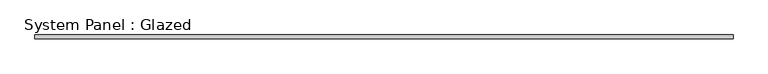
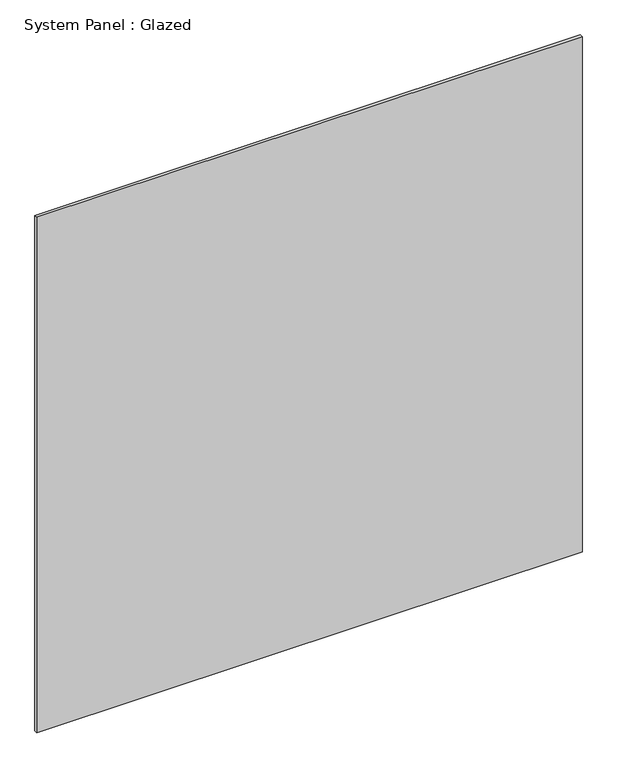
"""IFC4 building model written with IfcOpenShell, lengths in millimetres: plate geometry, System Panel : Glazed."""

from ifc_helpers import new_model, si_unit, origin, origin_with_axes, place, context, project, spatial, polyline, outline, extrude, source, transform, mapped, element, save


def system_panel_glazed_389e3e99(model_context):
    return source(origin(), model_context, "Body", "SweptSolid", [
        extrude(outline(polyline([(585.7875, -3.175), (-585.7875, -3.175), (-585.7875, 3.175), (585.7875, 3.175), (585.7875, -3.175)])), origin_with_axes(), (0.0, 0.0, 1.0), 1171.5757782),
    ])


if __name__ == "__main__":
    model = new_model("IFC4")
    model_context = context("Model", 3, world=origin())
    ifc_project = project(units=[si_unit("LENGTHUNIT", "METRE", prefix="MILLI")], contexts=[model_context])
    site = spatial("IfcSite", under=ifc_project)
    building = spatial("IfcBuilding", under=site)
    placement = place(None, origin())
    system_panel_glazed_shape = system_panel_glazed_389e3e99(model_context)
    element("IfcPlate", 1, ObjectType="System Panel : Glazed", at=placement, inside=building, context=model_context, shape_type="MappedRepresentation", body=[
        mapped(system_panel_glazed_shape, transform((0.0, 0.0, 0.0), x_axis=(1.0, 0.0, 0.0), y_axis=(0.0, 1.0, 0.0), z_axis=(0.0, 0.0, 1.0))),
    ])
    save(model, "model.ifc")
